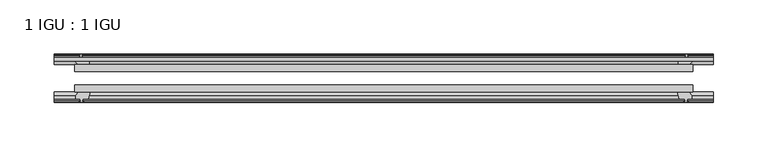
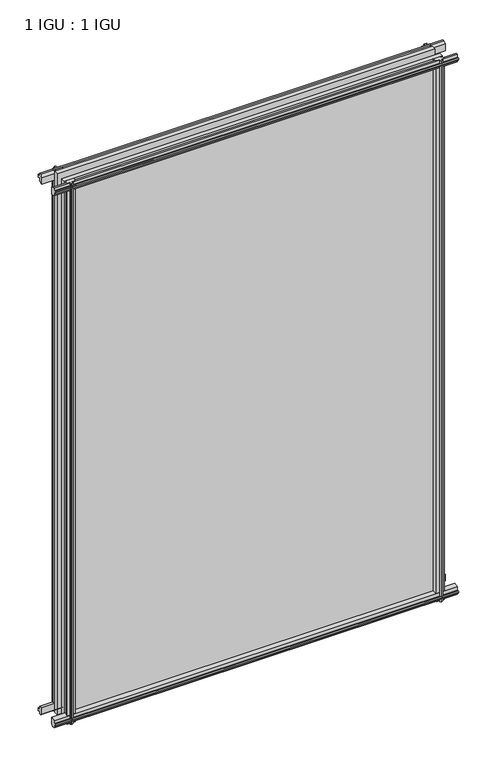
"""IFC4 building model written with IfcOpenShell, lengths in millimetres: plate geometry, 1 IGU : 1 IGU."""

from ifc_helpers import new_model, si_unit, frame, origin, place, context, project, spatial, polyline, outline, extrude, source, transform, mapped, element, save


def plate_1_igu_1_igu_d857ac3d(model_context):
    return source(origin(), model_context, "Body", "SweptSolid", [
        extrude(outline(polyline([(-285.7500002, -38.6468937), (285.7500002, -38.6468937), (285.7500002, -44.9460938), (-285.7500002, -44.9460938), (-285.7500002, -38.6468937)])), frame((0.0, 0.0, -12.7), z_axis=(0.0, 0.0, 1.0), x_axis=(1.0, 0.0, 0.0)), (0.0, 0.0, 1.0), 863.5872928),
        extrude(outline(polyline([(-285.7500002, -19.5460937), (285.7500002, -19.5460937), (285.7500002, -25.8960938), (-285.7500002, -25.8960938), (-285.7500002, -19.5460937)])), frame((0.0, 0.0, -12.7), z_axis=(0.0, 0.0, 1.0), x_axis=(1.0, 0.0, 0.0)), (0.0, 0.0, 1.0), 863.5872928),
        extrude(outline(polyline([(-44.9460937, 1.7177181), (-44.9460937, -9.1036578), (-48.3496937, -11.938), (-51.2960937, -11.938), (-51.2960937, -7.493), (-53.6762907, -7.112), (-53.2163575, -8.5275291), (-54.0175717, -8.5275291), (-54.7250937, -6.35), (-54.0175717, -4.1724709), (-53.2163575, -4.1724709), (-53.6762907, -5.588), (-51.2960937, -5.207), (-51.2960937, 0.0), (-44.9460937, 1.7177181)])), frame((-304.8000002, 0.0, 0.0), z_axis=(1.0, 0.0, 0.0), x_axis=(0.0, 1.0, 0.0)), (0.0, 0.0, 1.0), 609.6000003),
        extrude(outline(polyline([(-13.1960937, -12.4587), (-16.1424937, -12.4587), (-19.5460937, -9.6243578), (-19.5460937, 1.1970181), (-13.1960937, -0.5207), (-13.1960937, -5.7277), (-10.8158968, -6.1087), (-11.27583, -4.6931709), (-10.4746158, -4.6931709), (-9.7670937, -6.8707), (-10.4746158, -9.0482291), (-11.27583, -9.0482291), (-10.8158968, -7.6327), (-13.1960937, -8.0137), (-13.1960937, -12.4587)])), frame((-304.8000002, 0.0, 0.0), z_axis=(1.0, 0.0, 0.0), x_axis=(0.0, 1.0, 0.0)), (0.0, 0.0, 1.0), 609.6000003),
        extrude(outline(polyline([(-51.2960937, 850.1252928), (-48.3496937, 850.1252928), (-44.9460937, 847.2909506), (-44.9460937, 836.4695747), (-51.2960937, 838.1872928), (-51.2960937, 843.3942928), (-53.6762907, 843.7752928), (-53.2163575, 842.3597637), (-54.0175717, 842.3597637), (-54.7250937, 844.5372928), (-54.0175717, 846.7148218), (-53.2163575, 846.7148218), (-53.6762907, 845.2992928), (-51.2960937, 845.6802928), (-51.2960937, 850.1252928)])), frame((-304.8000002, 0.0, 0.0), z_axis=(1.0, 0.0, 0.0), x_axis=(0.0, 1.0, 0.0)), (0.0, 0.0, 1.0), 609.6000003),
        extrude(outline(polyline([(-19.5460937, 836.9902747), (-19.5460937, 847.8116506), (-16.1424937, 850.6459928), (-13.1960937, 850.6459928), (-13.1960937, 846.2009928), (-10.8158968, 845.8199928), (-11.27583, 847.2355218), (-10.4746158, 847.2355218), (-9.7670937, 845.0579928), (-10.4746158, 842.8804637), (-11.27583, 842.8804637), (-10.8158968, 844.2959928), (-13.1960937, 843.9149928), (-13.1960937, 838.7079928), (-19.5460937, 836.9902747)])), frame((-304.8000002, 0.0, 0.0), z_axis=(1.0, 0.0, 0.0), x_axis=(0.0, 1.0, 0.0)), (0.0, 0.0, 1.0), 609.6000003),
        extrude(outline(polyline([(271.8529821, -19.5460938), (273.5707002, -13.1960938), (278.7777002, -13.1960938), (279.1587002, -10.8158968), (277.7431711, -11.27583), (277.7431711, -10.4746158), (279.9207002, -9.7670938), (282.0982292, -10.4746158), (282.0982292, -11.27583), (280.6827002, -10.8158968), (281.0637002, -13.1960938), (285.5087002, -13.1960938), (285.5087002, -16.1424938), (282.674358, -19.5460938), (271.8529821, -19.5460938)])), frame((0.0, 0.0, -12.7), z_axis=(0.0, 0.0, 1.0), x_axis=(1.0, 0.0, 0.0)), (0.0, 0.0, 1.0), 863.587293),
        extrude(outline(polyline([(271.3322821, -44.9460938), (282.153658, -44.9460938), (284.9880002, -48.3496938), (284.9880002, -51.2960938), (280.5430002, -51.2960938), (280.1620002, -53.6762907), (281.5775292, -53.2163575), (281.5775292, -54.0175717), (279.4000002, -54.7250938), (277.2224711, -54.0175717), (277.2224711, -53.2163575), (278.6380002, -53.6762907), (278.2570002, -51.2960938), (273.0500002, -51.2960938), (271.3322821, -44.9460938)])), frame((0.0, 0.0, -12.7), z_axis=(0.0, 0.0, 1.0), x_axis=(1.0, 0.0, 0.0)), (0.0, 0.0, 1.0), 863.587293),
        extrude(outline(polyline([(-279.9207002, -9.7670937), (-277.7431711, -10.4746158), (-277.7431711, -11.27583), (-279.1587002, -10.8158968), (-278.7777002, -13.1960937), (-273.5707002, -13.1960937), (-271.8529821, -19.5460937), (-282.674358, -19.5460937), (-285.5087002, -16.1424937), (-285.5087002, -13.1960937), (-281.0637002, -13.1960937), (-280.6827002, -10.8158968), (-282.0982292, -11.27583), (-282.0982292, -10.4746158), (-279.9207002, -9.7670937)])), frame((0.0, 0.0, -12.7), z_axis=(0.0, 0.0, 1.0), x_axis=(1.0, 0.0, 0.0)), (0.0, 0.0, 1.0), 863.587293),
        extrude(outline(polyline([(-284.9880002, -48.3496937), (-282.153658, -44.9460937), (-271.3322821, -44.9460937), (-273.0500002, -51.2960937), (-278.2570002, -51.2960937), (-278.6380002, -53.6762907), (-277.2224711, -53.2163575), (-277.2224711, -54.0175717), (-279.4000002, -54.7250937), (-281.5775292, -54.0175717), (-281.5775292, -53.2163575), (-280.1620002, -53.6762907), (-280.5430002, -51.2960937), (-284.9880002, -51.2960937), (-284.9880002, -48.3496937)])), frame((0.0, 0.0, -12.7), z_axis=(0.0, 0.0, 1.0), x_axis=(1.0, 0.0, 0.0)), (0.0, 0.0, 1.0), 863.587293),
    ])


if __name__ == "__main__":
    model = new_model("IFC4")
    model_context = context("Model", 3, world=origin())
    ifc_project = project(units=[si_unit("LENGTHUNIT", "METRE", prefix="MILLI")], contexts=[model_context])
    site = spatial("IfcSite", under=ifc_project)
    building = spatial("IfcBuilding", under=site)
    placement = place(None, origin())
    plate_1_igu_1_igu_shape = plate_1_igu_1_igu_d857ac3d(model_context)
    element("IfcPlate", 1, ObjectType="1 IGU : 1 IGU", at=placement, inside=building, context=model_context, shape_type="MappedRepresentation", body=[
        mapped(plate_1_igu_1_igu_shape, transform((0.0, 0.0, 0.0), x_axis=(1.0, 0.0, 0.0), y_axis=(0.0, 1.0, 0.0), z_axis=(0.0, 0.0, 1.0))),
    ])
    save(model, "model.ifc")
